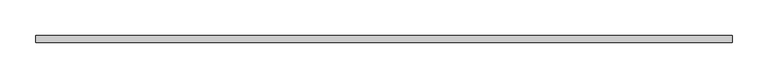
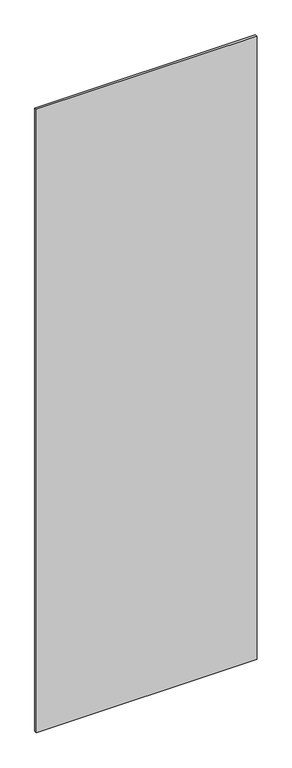
"""IFC4 building model written with IfcOpenShell, lengths in millimetres: plate geometry."""

import ifcopenshell
import ifcopenshell.guid

model = None  # the IFC model being written
_history = None  # IfcOwnerHistory: only IFC2X3 demands one
_inside = {}  # id of a spatial element -> (the spatial element, [elements in it])
_under = {}  # id of a project, library or spatial element -> (it, [spatial elements below it])
_declared = {}  # id of a project -> (the project, [libraries it declares])
_typed = {}  # id of a type object -> (the type object, [elements of that type])
_made_of = {}  # id of a material, layer set ... -> (it, [elements and type objects made of it])


def new_model(schema):
    """Start an empty IFC model of exactly this schema.

    Asked for "IFC4X3", IfcOpenShell would pick the latest addendum, in which some entities
    have other attributes; the version numbers below select the first issue.
    IFC2X3 requires an IfcOwnerHistory on every rooted entity: one is made here for all.
    """
    global model, _history
    if schema == "IFC4X3":
        model = ifcopenshell.file(schema_version=(4, 3, 0, 0))
    else:
        model = ifcopenshell.file(schema=schema)
    _inside.clear()
    _under.clear()
    _declared.clear()
    _typed.clear()
    _made_of.clear()
    _history = None
    if model.schema == "IFC2X3":
        org = make("IfcOrganization", Name="unknown")
        user = make(
            "IfcPersonAndOrganization",
            ThePerson=make("IfcPerson", FamilyName="unknown"),
            TheOrganization=org,
        )
        app = make(
            "IfcApplication",
            ApplicationDeveloper=org,
            Version="unknown",
            ApplicationFullName="unknown",
            ApplicationIdentifier="unknown",
        )
        _history = make(
            "IfcOwnerHistory",
            OwningUser=user,
            OwningApplication=app,
            ChangeAction="ADDED",
            CreationDate=0,
        )
    return model


def make(cls, **values):
    """One entity of the class cls with the attributes given. An attribute that is None is left unset."""
    return model.create_entity(
        cls, **{name: value for name, value in values.items() if value is not None}
    )


def rooted(cls, **values):
    """An entity with a GlobalId (a new one), such as an element, a storey or a relation."""
    return make(cls, GlobalId=ifcopenshell.guid.new(), OwnerHistory=_history, **values)


def si_unit(unit_type, name, prefix=None):
    """IfcSIUnit, for example si_unit("LENGTHUNIT", "METRE", prefix="MILLI")."""
    return make("IfcSIUnit", UnitType=unit_type, Prefix=prefix, Name=name)


def assignment(units):
    """IfcUnitAssignment: the units of a project."""
    return None if units is None else make("IfcUnitAssignment", Units=units)


def point(xyz):
    """IfcCartesianPoint."""
    return None if xyz is None else make("IfcCartesianPoint", Coordinates=xyz)


def direction(xyz):
    """IfcDirection."""
    return None if xyz is None else make("IfcDirection", DirectionRatios=xyz)


def frame(location, z_axis=None, x_axis=None):
    """IfcAxis2Placement3D, a coordinate frame: its origin and axes. An axis left out is left unset."""
    return make(
        "IfcAxis2Placement3D",
        Location=point(location),
        Axis=direction(z_axis),
        RefDirection=direction(x_axis),
    )


def origin():
    """The frame at (0, 0, 0) with its axes left unset."""
    return frame((0.0, 0.0, 0.0))


def origin_with_axes():
    """The frame at (0, 0, 0) with the z axis (0, 0, 1) and the x axis (1, 0, 0) written out."""
    return frame((0.0, 0.0, 0.0), z_axis=(0.0, 0.0, 1.0), x_axis=(1.0, 0.0, 0.0))


def place(relative_to, where):
    """IfcLocalPlacement: puts the frame where relative to a parent placement (None: the world)."""
    return make(
        "IfcLocalPlacement", PlacementRelTo=relative_to, RelativePlacement=where
    )


def context(
    kind, dimensions, precision=None, world=None, true_north=None, identifier=None
):
    """IfcGeometricRepresentationContext, for example the 3D "Model" context."""
    return make(
        "IfcGeometricRepresentationContext",
        ContextIdentifier=identifier,
        ContextType=kind,
        CoordinateSpaceDimension=dimensions,
        Precision=precision,
        WorldCoordinateSystem=world,
        TrueNorth=true_north,
    )


def project(units=None, contexts=None):
    """IfcProject with its units and contexts."""
    return rooted(
        "IfcProject",
        Name="project",
        RepresentationContexts=contexts,
        UnitsInContext=assignment(units),
    )


def spatial(cls, under=None, at=None, **own):
    """A site, building, storey or space (cls), placed at a placement, below another one or the project."""
    s = rooted(cls, ObjectPlacement=at, **own)
    if under is not None:
        _under.setdefault(under.id(), (under, []))[1].append(s)
    return s


def polyline(points):
    """IfcPolyline through the points."""
    return make("IfcPolyline", Points=[point(p) for p in points])


def outline(outer, holes=None, kind="AREA"):
    """IfcArbitraryClosedProfileDef: a profile drawn as a closed curve; with holes, ...WithVoids."""
    if holes is None:
        return make("IfcArbitraryClosedProfileDef", ProfileType=kind, OuterCurve=outer)
    return make(
        "IfcArbitraryProfileDefWithVoids",
        ProfileType=kind,
        OuterCurve=outer,
        InnerCurves=holes,
    )


def extrude(swept, where, along, depth):
    """IfcExtrudedAreaSolid: the profile swept, set in the frame where, extruded along a direction by depth."""
    return make(
        "IfcExtrudedAreaSolid",
        SweptArea=swept,
        Position=where,
        ExtrudedDirection=direction(along),
        Depth=depth,
    )


def shape(context_of_items, identifier, shape_type, items):
    """IfcShapeRepresentation: the items that make up one representation, for example the "Body"."""
    return make(
        "IfcShapeRepresentation",
        ContextOfItems=context_of_items,
        RepresentationIdentifier=identifier,
        RepresentationType=shape_type,
        Items=items,
    )


def source(mapping_origin, context_of_items, identifier, shape_type, items):
    """IfcRepresentationMap: a shape defined once, which mapped items show again and again."""
    return make(
        "IfcRepresentationMap",
        MappingOrigin=mapping_origin,
        MappedRepresentation=shape(context_of_items, identifier, shape_type, items),
    )


def transform(
    local_origin,
    x_axis=None,
    y_axis=None,
    z_axis=None,
    scale=None,
    scale2=None,
    scale3=None,
    uniform=True,
):
    """IfcCartesianTransformationOperator3D, or its non-uniform kind. x_axis, y_axis, z_axis: its Axis1, 2, 3."""
    if uniform:
        return make(
            "IfcCartesianTransformationOperator3D",
            Axis1=direction(x_axis),
            Axis2=direction(y_axis),
            LocalOrigin=point(local_origin),
            Scale=scale,
            Axis3=direction(z_axis),
        )
    return make(
        "IfcCartesianTransformationOperator3DnonUniform",
        Axis1=direction(x_axis),
        Axis2=direction(y_axis),
        LocalOrigin=point(local_origin),
        Scale=scale,
        Axis3=direction(z_axis),
        Scale2=scale2,
        Scale3=scale3,
    )


def mapped(mapping_source, mapping_target):
    """IfcMappedItem: shows the shape of a source again, moved by a transform."""
    return make(
        "IfcMappedItem", MappingSource=mapping_source, MappingTarget=mapping_target
    )


def made_of(thing, what):
    """Note that an element or type object is made of a material, layer set ...; save() writes the relation."""
    if what is not None:
        _made_of.setdefault(what.id(), (what, []))[1].append(thing)
    return thing


def element(
    cls,
    number,
    at=None,
    inside=None,
    cuts=None,
    type_object=None,
    material=None,
    context=None,
    identifier="Body",
    shape_type=None,
    held_by="IfcProductDefinitionShape",
    body=None,
    shapes=None,
    **own,
):
    """One element of the class cls, such as IfcWall. Its Tag is "e" and its number.

    at: its placement. inside: the storey or other place that contains it. cuts: it is an
    opening in that element (IfcRelVoidsElement). A single representation is given by context,
    identifier, shape_type and body (its items); several are given by shapes. held_by: the class
    of the entity that holds the representations. save() writes the other relations.
    """
    e = rooted(cls, Tag="e%d" % number, ObjectPlacement=at, **own)
    if body is not None:
        shapes = [shape(context, identifier, shape_type, body)]
    if shapes is not None:
        e.Representation = make(held_by, Representations=shapes)
    if inside is not None:
        _inside.setdefault(inside.id(), (inside, []))[1].append(e)
    if cuts is not None:
        rooted(
            "IfcRelVoidsElement", RelatingBuildingElement=cuts, RelatedOpeningElement=e
        )
    if type_object is not None:
        _typed.setdefault(type_object.id(), (type_object, []))[1].append(e)
    return made_of(e, material)


def aggregate(whole, parts):
    """IfcRelAggregates: a whole, such as a stair, and the parts it consists of."""
    return rooted("IfcRelAggregates", RelatingObject=whole, RelatedObjects=parts)


def save(model, path):
    """Write the relations noted so far, then the file.

    IfcRelAggregates (storeys below a building ...), IfcRelContainedInSpatialStructure (elements
    in a storey), IfcRelDefinesByType, IfcRelAssociatesMaterial and IfcRelDeclares: one each for
    every whole, place, type object, material and project.
    """
    for whole, parts in _under.values():
        aggregate(whole, parts)
    for where, things in _inside.values():
        rooted(
            "IfcRelContainedInSpatialStructure",
            RelatedElements=things,
            RelatingStructure=where,
        )
    for kind, things in _typed.values():
        rooted("IfcRelDefinesByType", RelatedObjects=things, RelatingType=kind)
    for what, things in _made_of.values():
        rooted("IfcRelAssociatesMaterial", RelatedObjects=things, RelatingMaterial=what)
    for by, libraries in _declared.values():
        rooted("IfcRelDeclares", RelatingContext=by, RelatedDefinitions=libraries)
    model.write(path)


def plate_6060e252(model_context):
    return source(origin(), model_context, "Body", "SweptSolid", [
        extrude(outline(polyline([(486.2142857, -5.0), (-486.2142857, -5.0), (-486.2142857, 5.0), (486.2142857, 5.0), (486.2142857, -5.0)])), origin_with_axes(), (0.0, 0.0, 1.0), 2901.0),
    ])


if __name__ == "__main__":
    model = new_model("IFC4")
    model_context = context("Model", 3, world=origin())
    ifc_project = project(units=[si_unit("LENGTHUNIT", "METRE", prefix="MILLI")], contexts=[model_context])
    site = spatial("IfcSite", under=ifc_project)
    building = spatial("IfcBuilding", under=site)
    placement = place(None, origin())
    plate_shape = plate_6060e252(model_context)
    element("IfcPlate", 1, at=placement, inside=building, context=model_context, shape_type="MappedRepresentation", body=[
        mapped(plate_shape, transform((0.0, 0.0, 0.0), x_axis=(1.0, 0.0, 0.0), y_axis=(0.0, 1.0, 0.0), z_axis=(0.0, 0.0, 1.0))),
    ])
    save(model, "model.ifc")
